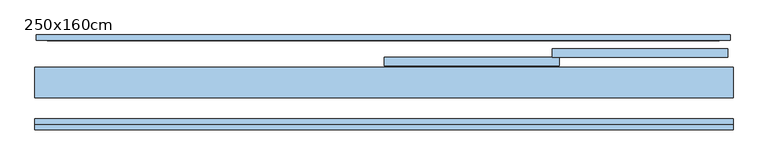
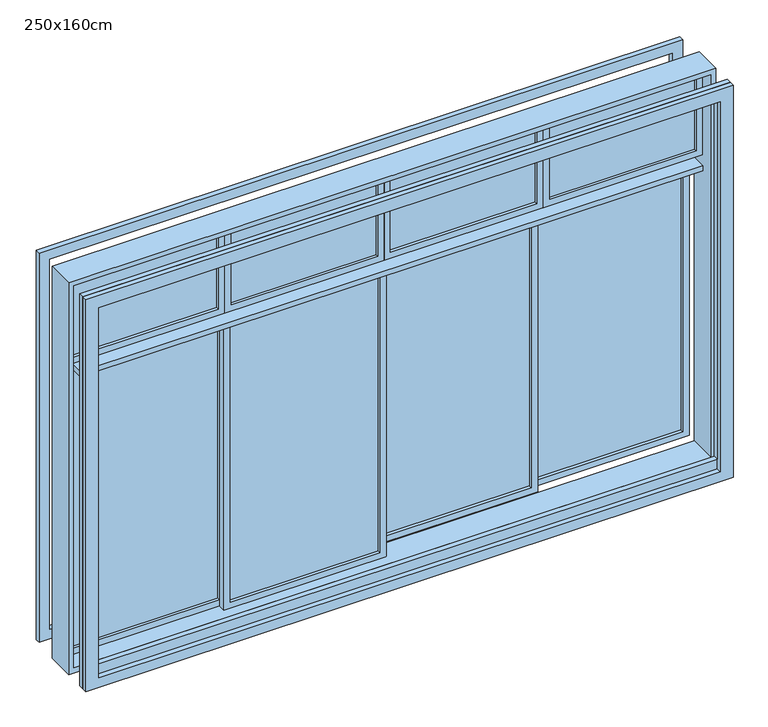
"""IFC4 building model written with IfcOpenShell, lengths in millimetres: window geometry, 250x160cm."""

from ifc_helpers import new_model, si_unit, frame, origin, place, context, project, spatial, polyline, outline, extrude, source, transform, mapped, element, save


def window_250x160cm_dbbff5c2(model_context):
    return source(origin(), model_context, "Body", "SweptSolid", [
        extrude(outline(polyline([(1728.25, 0.575), (1163.25, 0.575), (1163.25, 7.575), (1728.25, 7.575), (1728.25, 0.575)])), frame((0.0, 0.0, 2345.0), z_axis=(0.0, 0.0, 1.0), x_axis=(1.0, 0.0, 0.0)), (0.0, 0.0, 1.0), 310.0),
        extrude(outline(polyline([(2320.0, 1753.25), (2680.0, 1753.25), (2680.0, 1138.25), (2320.0, 1138.25), (2320.0, 1753.25)]), holes=[polyline([(2655.0, 1163.25), (2655.0, 1728.25), (2345.0, 1728.25), (2345.0, 1163.25), (2655.0, 1163.25)])]), frame((0.0, -10.925, 0.0), z_axis=(0.0, 1.0, 0.0), x_axis=(0.0, 0.0, 1.0)), (0.0, 0.0, 1.0), 30.0),
        extrude(outline(polyline([(1113.25, 0.575), (548.25, 0.575), (548.25, 7.575), (1113.25, 7.575), (1113.25, 0.575)])), frame((0.0, 0.0, 2345.0), z_axis=(0.0, 0.0, 1.0), x_axis=(1.0, 0.0, 0.0)), (0.0, 0.0, 1.0), 310.0),
        extrude(outline(polyline([(2320.0, 1138.25), (2680.0, 1138.25), (2680.0, 523.25), (2320.0, 523.25), (2320.0, 1138.25)]), holes=[polyline([(2655.0, 548.25), (2655.0, 1113.25), (2345.0, 1113.25), (2345.0, 548.25), (2655.0, 548.25)])]), frame((0.0, -10.925, 0.0), z_axis=(0.0, 1.0, 0.0), x_axis=(0.0, 0.0, 1.0)), (0.0, 0.0, 1.0), 30.0),
        extrude(outline(polyline([(498.25, 0.575), (-66.75, 0.575), (-66.75, 7.575), (498.25, 7.575), (498.25, 0.575)])), frame((0.0, 0.0, 2345.0), z_axis=(0.0, 0.0, 1.0), x_axis=(1.0, 0.0, 0.0)), (0.0, 0.0, 1.0), 310.0),
        extrude(outline(polyline([(2320.0, 523.25), (2680.0, 523.25), (2680.0, -91.75), (2320.0, -91.75), (2320.0, 523.25)]), holes=[polyline([(2655.0, -66.75), (2655.0, 498.25), (2345.0, 498.25), (2345.0, -66.75), (2655.0, -66.75)])]), frame((0.0, -10.925, 0.0), z_axis=(0.0, 1.0, 0.0), x_axis=(0.0, 0.0, 1.0)), (0.0, 0.0, 1.0), 30.0),
        extrude(outline(polyline([(-116.75, 0.575), (-681.75, 0.575), (-681.75, 7.575), (-116.75, 7.575), (-116.75, 0.575)])), frame((0.0, 0.0, 2345.0), z_axis=(0.0, 0.0, 1.0), x_axis=(1.0, 0.0, 0.0)), (0.0, 0.0, 1.0), 310.0),
        extrude(outline(polyline([(2320.0, -91.75), (2680.0, -91.75), (2680.0, -706.75), (2320.0, -706.75), (2320.0, -91.75)]), holes=[polyline([(2655.0, -681.75), (2655.0, -116.75), (2345.0, -116.75), (2345.0, -681.75), (2655.0, -681.75)])]), frame((0.0, -10.925, 0.0), z_axis=(0.0, 1.0, 0.0), x_axis=(0.0, 0.0, 1.0)), (0.0, 0.0, 1.0), 30.0),
        extrude(outline(polyline([(-681.75, 15.575), (-681.75, 22.575), (-104.25, 22.575), (-104.25, 15.575), (-681.75, 15.575)])), frame((0.0, 0.0, 1145.0), z_axis=(0.0, 0.0, 1.0), x_axis=(1.0, 0.0, 0.0)), (0.0, 0.0, 1.0), 1130.0),
        extrude(outline(polyline([(1120.0, -706.75), (1120.0, -79.25), (2300.0, -79.25), (2300.0, -706.75), (1120.0, -706.75)]), holes=[polyline([(2275.0, -104.25), (1145.0, -104.25), (1145.0, -681.75), (2275.0, -681.75), (2275.0, -104.25)])]), frame((0.0, 4.075, 0.0), z_axis=(0.0, 1.0, 0.0), x_axis=(0.0, 0.0, 1.0)), (0.0, 0.0, 1.0), 30.0),
        extrude(outline(polyline([(-79.25, -14.425), (-79.25, -7.425), (498.25, -7.425), (498.25, -14.425), (-79.25, -14.425)])), frame((0.0, 0.0, 1145.0), z_axis=(0.0, 0.0, 1.0), x_axis=(1.0, 0.0, 0.0)), (0.0, 0.0, 1.0), 1130.0),
        extrude(outline(polyline([(1120.0, -104.25), (1120.0, 523.25), (2300.0, 523.25), (2300.0, -104.25), (1120.0, -104.25)]), holes=[polyline([(2275.0, 498.25), (1145.0, 498.25), (1145.0, -79.25), (2275.0, -79.25), (2275.0, 498.25)])]), frame((0.0, -25.925, 0.0), z_axis=(0.0, 1.0, 0.0), x_axis=(0.0, 0.0, 1.0)), (0.0, 0.0, 1.0), 30.0),
        extrude(outline(polyline([(1728.25, 90.575), (1150.75, 90.575), (1150.75, 97.575), (1728.25, 97.575), (1728.25, 90.575)])), frame((0.0, 0.0, 1145.0), z_axis=(0.0, 0.0, 1.0), x_axis=(1.0, 0.0, 0.0)), (0.0, 0.0, 1.0), 1130.0),
        extrude(outline(polyline([(1120.0, 1753.25), (2300.0, 1753.25), (2300.0, 1125.75), (1120.0, 1125.75), (1120.0, 1753.25)]), holes=[polyline([(2275.0, 1150.75), (2275.0, 1728.25), (1145.0, 1728.25), (1145.0, 1150.75), (2275.0, 1150.75)])]), frame((0.0, 79.075, 0.0), z_axis=(0.0, 1.0, 0.0), x_axis=(0.0, 0.0, 1.0)), (0.0, 0.0, 1.0), 30.0),
        extrude(outline(polyline([(1125.75, 60.575), (548.25, 60.575), (548.25, 67.575), (1125.75, 67.575), (1125.75, 60.575)])), frame((0.0, 0.0, 1145.0), z_axis=(0.0, 0.0, 1.0), x_axis=(1.0, 0.0, 0.0)), (0.0, 0.0, 1.0), 1130.0),
        extrude(outline(polyline([(1120.0, 1150.75), (2300.0, 1150.75), (2300.0, 523.25), (1120.0, 523.25), (1120.0, 1150.75)]), holes=[polyline([(2275.0, 548.25), (2275.0, 1125.75), (1145.0, 1125.75), (1145.0, 548.25), (2275.0, 548.25)])]), frame((0.0, 49.075, 0.0), z_axis=(0.0, 1.0, 0.0), x_axis=(0.0, 0.0, 1.0)), (0.0, 0.0, 1.0), 30.0),
        extrude(outline(polyline([(1100.0, 1773.25), (2700.0, 1773.25), (2700.0, -726.75), (1100.0, -726.75), (1100.0, 1773.25)]), holes=[polyline([(2650.0, -676.75), (2650.0, 1723.25), (1180.0, 1723.25), (1180.0, -676.75), (2650.0, -676.75)])]), frame((0.0, -160.925, 0.0), z_axis=(0.0, 1.0, 0.0), x_axis=(0.0, 0.0, 1.0)), (0.0, 0.0, 1.0), 20.0),
        extrude(outline(polyline([(2700.0, -726.75), (1100.0, -726.75), (1100.0, 1773.25), (2700.0, 1773.25), (2700.0, -726.75)]), holes=[polyline([(2650.0, 1723.25), (1140.0, 1723.25), (1140.0, -676.75), (2650.0, -676.75), (2650.0, 1723.25)])]), frame((0.0, -180.925, 0.0), z_axis=(0.0, 1.0, 0.0), x_axis=(0.0, 0.0, 1.0)), (0.0, 0.0, 1.0), 20.0),
        extrude(outline(polyline([(1723.25, -65.925), (-681.75, -65.925), (-681.75, 44.075), (1723.25, 44.075), (1723.25, -65.925)])), frame((0.0, 0.0, 2300.0), z_axis=(0.0, 0.0, 1.0), x_axis=(1.0, 0.0, 0.0)), (0.0, 0.0, 1.0), 20.0),
        extrude(outline(polyline([(2695.0, -721.75), (1105.0, -721.75), (1105.0, 1763.25), (2695.0, 1763.25), (2695.0, -721.75)]), holes=[polyline([(2655.0, 1723.25), (1145.0, 1723.25), (1145.0, -681.75), (2655.0, -681.75), (2655.0, 1723.25)])]), frame((0.0, 139.075, 0.0), z_axis=(0.0, 1.0, 0.0), x_axis=(0.0, 0.0, 1.0)), (0.0, 0.0, 1.0), 20.0),
        extrude(outline(polyline([(2700.0, 1773.25), (2700.0, -726.75), (1100.0, -726.75), (1100.0, 1773.25), (2700.0, 1773.25)]), holes=[polyline([(2680.0, 1753.25), (1120.0, 1753.25), (1120.0, -706.75), (2680.0, -706.75), (2680.0, 1753.25)])]), frame((0.0, -65.925, 0.0), z_axis=(0.0, 1.0, 0.0), x_axis=(0.0, 0.0, 1.0)), (0.0, 0.0, 1.0), 110.0),
    ])


if __name__ == "__main__":
    model = new_model("IFC4")
    model_context = context("Model", 3, world=origin())
    ifc_project = project(units=[si_unit("LENGTHUNIT", "METRE", prefix="MILLI")], contexts=[model_context])
    site = spatial("IfcSite", under=ifc_project)
    building = spatial("IfcBuilding", under=site)
    placement = place(None, origin())
    window_250x160cm_shape = window_250x160cm_dbbff5c2(model_context)
    element("IfcWindow", 1, ObjectType="250x160cm", at=placement, inside=building, context=model_context, shape_type="MappedRepresentation", body=[
        mapped(window_250x160cm_shape, transform((0.0, 0.0, 0.0), x_axis=(1.0, 0.0, 0.0), y_axis=(0.0, 1.0, 0.0), z_axis=(0.0, 0.0, 1.0))),
    ])
    save(model, "model.ifc")
